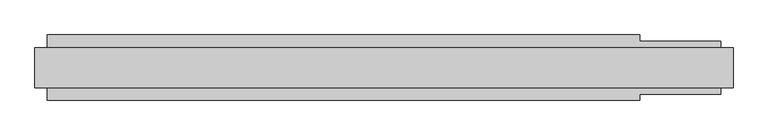
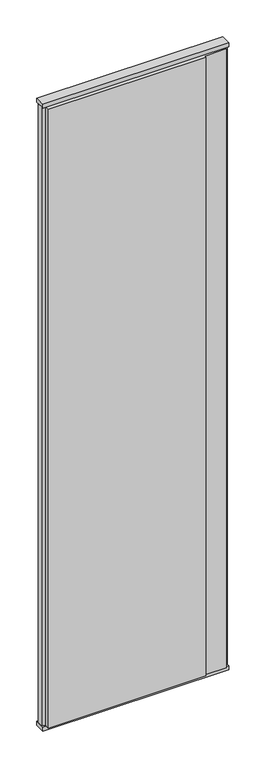
"""IFC4 building model written with IfcOpenShell, lengths in millimetres: plate geometry."""

from ifc_helpers import new_model, si_unit, frame, origin, origin_with_axes, place, context, project, spatial, polyline, outline, extrude, source, transform, mapped, element, save


def plate_4da91fe9(model_context):
    return source(origin(), model_context, "Body", "SweptSolid", [
        extrude(outline(polyline([(410.5, 52.5), (410.5, 42.5), (540.5, 42.5), (540.5, 22.9993165), (560.5, 17.6401049), (560.5, -17.6401049), (540.5, -22.9993165), (540.5, -42.5), (410.5, -42.5), (410.5, -52.5), (-540.5, -52.5), (-540.5, -22.9993165), (-560.5, -17.6401049), (-560.5, 17.6401049), (-540.5, 22.9993165), (-540.5, 52.5), (410.5, 52.5)])), frame((0.0, 0.0, 25.0), z_axis=(0.0, 0.0, 1.0), x_axis=(1.0, 0.0, 0.0)), (0.0, 0.0, 1.0), 3950.0),
        extrude(outline(polyline([(560.5, 32.0), (560.5, -32.0), (-560.5, -32.0), (-560.5, 32.0), (560.5, 32.0)])), origin_with_axes(), (0.0, 0.0, 1.0), 25.0),
        extrude(outline(polyline([(560.5, 32.0), (560.5, -32.0), (-560.5, -32.0), (-560.5, 32.0), (560.5, 32.0)])), frame((0.0, 0.0, 3975.0), z_axis=(0.0, 0.0, 1.0), x_axis=(1.0, 0.0, 0.0)), (0.0, 0.0, 1.0), 25.0),
    ])


if __name__ == "__main__":
    model = new_model("IFC4")
    model_context = context("Model", 3, world=origin())
    ifc_project = project(units=[si_unit("LENGTHUNIT", "METRE", prefix="MILLI")], contexts=[model_context])
    site = spatial("IfcSite", under=ifc_project)
    building = spatial("IfcBuilding", under=site)
    placement = place(None, origin())
    plate_shape = plate_4da91fe9(model_context)
    element("IfcPlate", 1, at=placement, inside=building, context=model_context, shape_type="MappedRepresentation", body=[
        mapped(plate_shape, transform((0.0, 0.0, 0.0), x_axis=(1.0, 0.0, 0.0), y_axis=(0.0, 1.0, 0.0), z_axis=(0.0, 0.0, 1.0))),
    ])
    save(model, "model.ifc")
